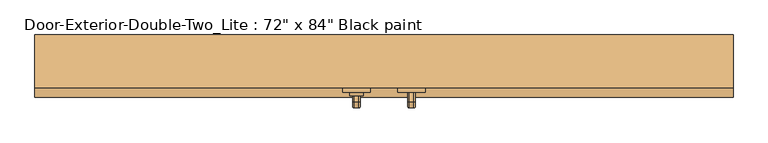
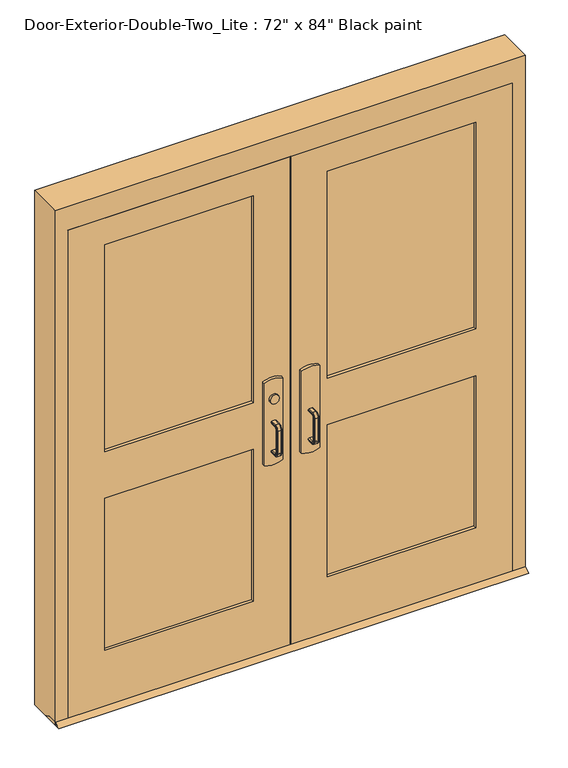
"""IFC4 building model written with IfcOpenShell, lengths in millimetres: door geometry."""

from ifc_helpers import new_model, si_unit, point, frame, frame_2d, origin, place, context, project, spatial, polyline, circle_curve, ellipse_curve, trimmed, segment, composite_curve, outline, extrude, faceted_brep, source, transform, mapped, element, save
from ifc_brep_helpers import plane_surface, cylinder_surface, revolved_surface, advanced_brep


def door_083f55a5(model_context):
    return source(origin(), model_context, "Body", "SolidModel", [
        extrude(outline(polyline([(-575.7333333, 4.7625), (-76.2, 4.7625), (-76.2, -1.5875), (-575.7333333, -1.5875), (-575.7333333, 4.7625)])), frame((0.0, 0.0, 990.6), z_axis=(0.0, 0.0, 1.0), x_axis=(1.0, 0.0, 0.0)), (0.0, 0.0, 1.0), 50.8),
        advanced_brep(
        [(-12.7, -1.5875, 1041.4), (-12.7, -1.5875, 990.6), (-76.2, -1.5875, 990.6), (-825.5, -1.5875, 990.6), (-825.5, -1.5875, 1041.4), (-76.2, -1.5875, 1041.4), (-825.5, -33.3375, 1041.4), (-825.5, -33.3375, 990.6), (-76.2, -33.3375, 990.6), (-76.2, -33.3375, 927.1), (-57.15, -33.3375, 908.05), (-31.75, -33.3375, 908.05), (-12.7, -33.3375, 927.1), (-12.7, -33.3375, 1104.9), (-31.75, -33.3375, 1123.95), (-57.15, -33.3375, 1123.95), (-76.2, -33.3375, 1104.9), (-76.2, -33.3375, 1041.4), (-76.2, -4.7627467, 1041.4), (-12.7, -4.7627467, 1041.4), (-12.7, -9.7729269, 1104.9), (-12.7, -9.7729269, 927.1), (-12.7, -4.7627467, 990.6), (-76.2, -4.7627467, 990.6), (-76.2, -9.7729269, 1104.9), (-76.2, -9.7729269, 927.1), (-31.75, -11.275981, 1123.95), (-57.15, -11.275981, 1123.95), (-57.15, -11.275981, 908.05), (-31.75, -11.275981, 908.05)],
        [
            (0, 1),
            (1, 2),
            (2, 3),
            (3, 4),
            (4, 5),
            (5, 0),
            (6, 7),
            (7, 8),
            (8, 9),
            (9, 10, circle_curve(frame((-57.15, -33.3375, 927.1), z_axis=(0.0, -1.0, 0.0), x_axis=(-1.0, 0.0, 0.0)), 19.05)),
            (10, 11),
            (11, 12, circle_curve(frame((-31.75, -33.3375, 927.1), z_axis=(0.0, -1.0, 0.0), x_axis=(-1.0, 0.0, 0.0)), 19.05)),
            (12, 13),
            (13, 14, circle_curve(frame((-31.75, -33.3375, 1104.9), z_axis=(0.0, -1.0, 0.0), x_axis=(-1.0, 0.0, 0.0)), 19.05)),
            (14, 15),
            (15, 16, circle_curve(frame((-57.15, -33.3375, 1104.9), z_axis=(0.0, -1.0, 0.0), x_axis=(-1.0, 0.0, 0.0)), 19.05)),
            (16, 17),
            (17, 6),
            (4, 6),
            (17, 18),
            (18, 19),
            (19, 0),
            (19, 20),
            (20, 13),
            (12, 21),
            (21, 22),
            (22, 1),
            (7, 3),
            (22, 23),
            (23, 8),
            (16, 24),
            (24, 18),
            (23, 25),
            (25, 9),
            (14, 26),
            (26, 27),
            (27, 15),
            (10, 28),
            (28, 29),
            (29, 11),
            (25, 28, ellipse_curve(frame((-57.15, -9.7729269, 927.1), z_axis=(0.0, -0.9969018152893365, 0.07865602756830282), x_axis=(0.0, 0.07865602756830208, 0.9969018152893365)), 19.1092038, 19.05)),
            (27, 24, ellipse_curve(frame((-57.15, -9.7729269, 1104.9), z_axis=(0.0, -0.9969018152893376, -0.07865602756828934), x_axis=(0.0, 0.078656027568288, -0.9969018152893377)), 19.1092038, 19.05)),
            (20, 26, ellipse_curve(frame((-31.75, -9.7729269, 1104.9), z_axis=(0.0, -0.9969018152893376, -0.07865602756828934), x_axis=(0.0, 0.078656027568288, -0.9969018152893377)), 19.1092038, 19.05)),
            (29, 21, ellipse_curve(frame((-31.75, -9.7729269, 927.1), z_axis=(0.0, -0.9969018152893365, 0.07865602756830282), x_axis=(0.0, 0.07865602756830208, 0.9969018152893365)), 19.1092038, 19.05)),
        ],
        [
            plane_surface(frame((-12.7, -1.5875, 1041.4), z_axis=(0.0, 1.0, 0.0), x_axis=(1.0, 0.0, 0.0))),
            plane_surface(frame((-12.7, -33.3375, 1041.4), z_axis=(0.0, -1.0, 0.0), x_axis=(-1.0, 0.0, 0.0))),
            plane_surface(frame((-825.5, -1.5875, 1041.4), z_axis=(0.0, 0.0, 1.0), x_axis=(0.0, -1.0, 0.0))),
            plane_surface(frame((-12.7, -1.5875, 1041.4), z_axis=(1.0, 0.0, 0.0), x_axis=(0.0, -1.0, 0.0))),
            plane_surface(frame((-12.7, -1.5875, 990.6), z_axis=(0.0, 0.0, -1.0), x_axis=(0.0, -1.0, 0.0))),
            plane_surface(frame((-825.5, -1.5875, 990.6), z_axis=(-1.0, 0.0, 0.0), x_axis=(0.0, -1.0, 0.0))),
            plane_surface(frame((-76.2, -4.7627467, 927.1), z_axis=(-1.0, 0.0, 0.0), x_axis=(0.0, -1.0, 0.0))),
            plane_surface(frame((-57.15, -4.7627467, 1123.95), z_axis=(0.0, 0.0, 1.0), x_axis=(0.0, -1.0, 0.0))),
            plane_surface(frame((-31.75, -4.7627467, 908.05), z_axis=(0.0, 0.0, -1.0), x_axis=(0.0, -1.0, 0.0))),
            cylinder_surface(frame((-57.15, -33.3375, 927.1), z_axis=(0.0, 1.0, 0.0), x_axis=(-1.0, 0.0, 0.0)), 19.05),
            cylinder_surface(frame((-57.15, -33.3375, 1104.9), z_axis=(0.0, 1.0, 0.0), x_axis=(-1.0, 0.0, 0.0)), 19.05),
            cylinder_surface(frame((-31.75, -33.3375, 1104.9), z_axis=(0.0, 1.0, 0.0), x_axis=(-1.0, 0.0, 0.0)), 19.05),
            cylinder_surface(frame((-31.75, -33.3375, 927.1), z_axis=(0.0, 1.0, 0.0), x_axis=(-1.0, 0.0, 0.0)), 19.05),
            plane_surface(frame((-76.2, -4.7627467, 1041.4), z_axis=(0.0, 0.9969018152893376, 0.07865602756828934), x_axis=(1.0, 0.0, 0.0))),
            plane_surface(frame((-76.2, -11.275981, 908.05), z_axis=(0.0, 0.9969018152893365, -0.07865602756830282), x_axis=(1.0, 0.0, 0.0))),
        ],
        [
            (0, [[1, 2, 3, 4, 5, 6]]),
            (1, [[7, 8, 9, 10, 11, 12, 13, 14, 15, 16, 17, 18]]),
            (2, [[19, -18, 20, 21, 22, -6, -5]]),
            (3, [[-1, -22, 23, 24, -13, 25, 26, 27]]),
            (4, [[28, -3, -2, -27, 29, 30, -8]]),
            (5, [[-4, -28, -7, -19]]),
            (6, [[-17, 31, 32, -20]]),
            (6, [[-9, -30, 33, 34]]),
            (7, [[-15, 35, 36, 37]]),
            (8, [[-11, 38, 39, 40]]),
            (9, [[-10, -34, 41, -38]]),
            (10, [[-16, -37, 42, -31]]),
            (11, [[-14, -24, 43, -35]]),
            (12, [[-12, -40, 44, -25]]),
            (13, [[-21, -32, -42, -36, -43, -23]]),
            (14, [[-26, -44, -39, -41, -33, -29]]),
        ],
    ),
        extrude(outline(polyline([(-77.7875, 12.7), (-33.3375, 12.7), (-7.9375, 0.0), (-103.1875, 0.0), (-77.7875, 12.7)])), frame((-965.2, 0.0, 0.0), z_axis=(1.0, 0.0, 0.0), x_axis=(0.0, 1.0, 0.0)), (0.0, 0.0, 1.0), 1930.4),
        extrude(outline(polyline([(575.7333333, 4.7625), (575.7333333, -1.5875), (76.2, -1.5875), (76.2, 4.7625), (575.7333333, 4.7625)])), frame((0.0, 0.0, 990.6), z_axis=(0.0, 0.0, 1.0), x_axis=(1.0, 0.0, 0.0)), (0.0, 0.0, 1.0), 50.8),
        advanced_brep(
        [(12.7, -1.5875, 1041.4), (76.2, -1.5875, 1041.4), (825.5, -1.5875, 1041.4), (825.5, -1.5875, 990.6), (76.2, -1.5875, 990.6), (12.7, -1.5875, 990.6), (825.5, -33.3375, 1041.4), (76.2, -33.3375, 1041.4), (76.2, -33.3375, 1104.9), (57.15, -33.3375, 1123.95), (31.75, -33.3375, 1123.95), (12.7, -33.3375, 1104.9), (12.7, -33.3375, 927.1), (31.75, -33.3375, 908.05), (57.15, -33.3375, 908.05), (76.2, -33.3375, 927.1), (76.2, -33.3375, 990.6), (825.5, -33.3375, 990.6), (12.7, -4.7627467, 1041.4), (76.2, -4.7627467, 1041.4), (12.7, -4.7627467, 990.6), (12.7, -9.7729269, 927.1), (12.7, -9.7729269, 1104.9), (76.2, -4.7627467, 990.6), (76.2, -9.7729269, 1104.9), (76.2, -9.7729269, 927.1), (57.15, -11.275981, 1123.95), (31.75, -11.275981, 1123.95), (31.75, -11.275981, 908.05), (57.15, -11.275981, 908.05)],
        [
            (0, 1),
            (1, 2),
            (2, 3),
            (3, 4),
            (4, 5),
            (5, 0),
            (6, 7),
            (7, 8),
            (8, 9, circle_curve(frame((57.15, -33.3375, 1104.9), z_axis=(0.0, -1.0, 0.0), x_axis=(1.0, 0.0, 0.0)), 19.05)),
            (9, 10),
            (10, 11, circle_curve(frame((31.75, -33.3375, 1104.9), z_axis=(0.0, -1.0, 0.0), x_axis=(1.0, 0.0, 0.0)), 19.05)),
            (11, 12),
            (12, 13, circle_curve(frame((31.75, -33.3375, 927.1), z_axis=(0.0, -1.0, 0.0), x_axis=(1.0, 0.0, 0.0)), 19.05)),
            (13, 14),
            (14, 15, circle_curve(frame((57.15, -33.3375, 927.1), z_axis=(0.0, -1.0, 0.0), x_axis=(1.0, 0.0, 0.0)), 19.05)),
            (15, 16),
            (16, 17),
            (17, 6),
            (0, 18),
            (18, 19),
            (19, 7),
            (6, 2),
            (5, 20),
            (20, 21),
            (21, 12),
            (11, 22),
            (22, 18),
            (16, 23),
            (23, 20),
            (3, 17),
            (19, 24),
            (24, 8),
            (15, 25),
            (25, 23),
            (9, 26),
            (26, 27),
            (27, 10),
            (13, 28),
            (28, 29),
            (29, 14),
            (29, 25, ellipse_curve(frame((57.15, -9.7729269, 927.1), z_axis=(0.0, -0.9969018152893365, 0.07865602756830282), x_axis=(0.0, 0.07865602756830208, 0.9969018152893365)), 19.1092038, 19.05)),
            (24, 26, ellipse_curve(frame((57.15, -9.7729269, 1104.9), z_axis=(0.0, -0.9969018152893376, -0.07865602756828934), x_axis=(0.0, 0.078656027568288, -0.9969018152893377)), 19.1092038, 19.05)),
            (27, 22, ellipse_curve(frame((31.75, -9.7729269, 1104.9), z_axis=(0.0, -0.9969018152893376, -0.07865602756828934), x_axis=(0.0, 0.078656027568288, -0.9969018152893377)), 19.1092038, 19.05)),
            (21, 28, ellipse_curve(frame((31.75, -9.7729269, 927.1), z_axis=(0.0, -0.9969018152893365, 0.07865602756830282), x_axis=(0.0, 0.07865602756830208, 0.9969018152893365)), 19.1092038, 19.05)),
        ],
        [
            plane_surface(frame((12.7, -1.5875, 1041.4), z_axis=(0.0, 1.0, 0.0), x_axis=(-1.0, 0.0, 0.0))),
            plane_surface(frame((12.7, -33.3375, 1041.4), z_axis=(0.0, -1.0, 0.0), x_axis=(1.0, 0.0, 0.0))),
            plane_surface(frame((825.5, -1.5875, 1041.4), z_axis=(0.0, 0.0, 1.0), x_axis=(0.0, -1.0, 0.0))),
            plane_surface(frame((12.7, -1.5875, 1041.4), z_axis=(-1.0, 0.0, 0.0), x_axis=(0.0, -1.0, 0.0))),
            plane_surface(frame((12.7, -1.5875, 990.6), z_axis=(0.0, 0.0, -1.0), x_axis=(0.0, -1.0, 0.0))),
            plane_surface(frame((825.5, -1.5875, 990.6), z_axis=(1.0, 0.0, 0.0), x_axis=(0.0, -1.0, 0.0))),
            plane_surface(frame((76.2, -4.7627467, 927.1), z_axis=(1.0, 0.0, 0.0), x_axis=(0.0, -1.0, 0.0))),
            plane_surface(frame((57.15, -4.7627467, 1123.95), z_axis=(0.0, 0.0, 1.0), x_axis=(0.0, -1.0, 0.0))),
            plane_surface(frame((31.75, -4.7627467, 908.05), z_axis=(0.0, 0.0, -1.0), x_axis=(0.0, -1.0, 0.0))),
            cylinder_surface(frame((57.15, -33.3375, 927.1), z_axis=(0.0, 1.0, 0.0), x_axis=(1.0, 0.0, 0.0)), 19.05),
            cylinder_surface(frame((57.15, -33.3375, 1104.9), z_axis=(0.0, 1.0, 0.0), x_axis=(1.0, 0.0, 0.0)), 19.05),
            cylinder_surface(frame((31.75, -33.3375, 1104.9), z_axis=(0.0, 1.0, 0.0), x_axis=(1.0, 0.0, 0.0)), 19.05),
            cylinder_surface(frame((31.75, -33.3375, 927.1), z_axis=(0.0, 1.0, 0.0), x_axis=(1.0, 0.0, 0.0)), 19.05),
            plane_surface(frame((76.2, -4.7627467, 1041.4), z_axis=(0.0, 0.9969018152893376, 0.07865602756828934), x_axis=(-1.0, 0.0, 0.0))),
            plane_surface(frame((76.2, -11.275981, 908.05), z_axis=(0.0, 0.9969018152893365, -0.07865602756830282), x_axis=(-1.0, 0.0, 0.0))),
        ],
        [
            (0, [[1, 2, 3, 4, 5, 6]]),
            (1, [[7, 8, 9, 10, 11, 12, 13, 14, 15, 16, 17, 18]]),
            (2, [[-2, -1, 19, 20, 21, -7, 22]]),
            (3, [[23, 24, 25, -12, 26, 27, -19, -6]]),
            (4, [[-17, 28, 29, -23, -5, -4, 30]]),
            (5, [[-22, -18, -30, -3]]),
            (6, [[-21, 31, 32, -8]]),
            (6, [[33, 34, -28, -16]]),
            (7, [[35, 36, 37, -10]]),
            (8, [[38, 39, 40, -14]]),
            (9, [[-40, 41, -33, -15]]),
            (10, [[-32, 42, -35, -9]]),
            (11, [[-37, 43, -26, -11]]),
            (12, [[-25, 44, -38, -13]]),
            (13, [[-27, -43, -36, -42, -31, -20]]),
            (14, [[-29, -34, -41, -39, -44, -24]]),
        ],
    ),
        advanced_brep(
        [(66.2, -90.4875, 1017.190625), (69.771875, -90.4875, 1020.7625), (82.628125, -90.4875, 1020.7625), (86.2, -90.4875, 1017.190625), (86.2, -90.4875, 1014.8090406), (82.6284594, -90.4875, 1011.2375), (69.771875, -90.4875, 1011.2375), (66.2, -90.4875, 1014.809375), (66.2, -90.4875, 887.809375), (66.2, -90.4875, 890.190625), (69.771875, -90.4875, 893.7625), (82.6284594, -90.4875, 893.7625), (86.2, -90.4875, 890.1909594), (86.2, -90.4875, 887.809375), (82.628125, -90.4875, 884.2375), (69.771875, -90.4875, 884.2375), (66.2, -115.8875, 1014.809375), (66.2, -127.396875, 1003.3), (66.2, -127.396875, 901.7), (66.2, -115.8875, 890.190625), (66.2, -115.8875, 887.809375), (66.2, -129.778125, 901.7), (66.2, -129.778125, 1003.3), (66.2, -115.8875, 1017.190625), (69.771875, -115.8875, 1011.2375), (82.6284594, -115.8875, 1011.2375), (86.2, -115.8875, 1014.8090406), (86.2, -115.8875, 1017.190625), (86.2, -129.778125, 1003.3), (86.2, -129.778125, 901.7), (86.2, -115.8875, 887.809375), (86.2, -115.8875, 890.1909594), (86.2, -127.3965406, 901.7), (86.2, -127.3965406, 1003.3), (82.628125, -115.8875, 1020.7625), (69.771875, -115.8875, 1020.7625), (69.771875, -123.825, 1003.3), (82.6284594, -123.825, 1003.3), (82.628125, -133.35, 1003.3), (69.771875, -133.35, 1003.3), (69.771875, -123.825, 901.7), (82.6284594, -123.825, 901.7), (82.628125, -133.35, 901.7), (69.771875, -133.35, 901.7), (69.771875, -115.8875, 893.7625), (82.6284594, -115.8875, 893.7625), (82.628125, -115.8875, 884.2375), (69.771875, -115.8875, 884.2375)],
        [
            (0, 1, circle_curve(frame((69.771875, -90.4875, 1017.190625), z_axis=(0.0, 1.0, 0.0), x_axis=(0.0, 0.0, 1.0)), 3.571875)),
            (1, 2),
            (2, 3, circle_curve(frame((82.628125, -90.4875, 1017.190625), z_axis=(0.0, 1.0, 0.0), x_axis=(0.0, 0.0, 1.0)), 3.571875)),
            (3, 4),
            (4, 5, circle_curve(frame((82.6284594, -90.4875, 1014.8090406), z_axis=(0.0, 1.0, 0.0), x_axis=(0.0, 0.0, 1.0)), 3.5715406)),
            (5, 6),
            (6, 7, circle_curve(frame((69.771875, -90.4875, 1014.809375), z_axis=(0.0, 1.0, 0.0), x_axis=(0.0, 0.0, 1.0)), 3.571875)),
            (7, 0),
            (8, 9),
            (9, 10, circle_curve(frame((69.771875, -90.4875, 890.190625), z_axis=(0.0, 1.0, 0.0), x_axis=(0.0, 0.0, -1.0)), 3.571875)),
            (10, 11),
            (11, 12, circle_curve(frame((82.6284594, -90.4875, 890.1909594), z_axis=(0.0, 1.0, 0.0), x_axis=(0.0, 0.0, -1.0)), 3.5715406)),
            (12, 13),
            (13, 14, circle_curve(frame((82.628125, -90.4875, 887.809375), z_axis=(0.0, 1.0, 0.0), x_axis=(0.0, 0.0, -1.0)), 3.571875)),
            (14, 15),
            (15, 8, circle_curve(frame((69.771875, -90.4875, 887.809375), z_axis=(0.0, 1.0, 0.0), x_axis=(0.0, 0.0, -1.0)), 3.571875)),
            (7, 16),
            (16, 17, circle_curve(frame((66.2, -115.8875, 1003.3), z_axis=(1.0, 0.0, 0.0), x_axis=(0.0, 0.0, 1.0)), 11.509375)),
            (17, 18),
            (18, 19, circle_curve(frame((66.2, -115.8875, 901.7), z_axis=(1.0, 0.0, 0.0), x_axis=(0.0, -1.0, 0.0)), 11.509375)),
            (19, 9),
            (8, 20),
            (20, 21, circle_curve(frame((66.2, -115.8875, 901.7), z_axis=(-1.0, 0.0, 0.0), x_axis=(0.0, -1.0, 0.0)), 13.890625)),
            (21, 22),
            (22, 23, circle_curve(frame((66.2, -115.8875, 1003.3), z_axis=(-1.0, 0.0, 0.0), x_axis=(0.0, 0.0, 1.0)), 13.890625)),
            (23, 0),
            (6, 24),
            (24, 16, circle_curve(frame((69.771875, -115.8875, 1014.809375), z_axis=(0.0, 1.0, 0.0), x_axis=(0.0, 0.0, 1.0)), 3.571875)),
            (5, 25),
            (25, 24),
            (4, 26),
            (26, 25, circle_curve(frame((82.6284594, -115.8875, 1014.8090406), z_axis=(0.0, 1.0, 0.0), x_axis=(0.0, 0.0, 1.0)), 3.5715406)),
            (3, 27),
            (27, 28, circle_curve(frame((86.2, -115.8875, 1003.3), z_axis=(1.0, 0.0, 0.0), x_axis=(0.0, 0.0, 1.0)), 13.890625)),
            (28, 29),
            (29, 30, circle_curve(frame((86.2, -115.8875, 901.7), z_axis=(1.0, 0.0, 0.0), x_axis=(0.0, -1.0, 0.0)), 13.890625)),
            (30, 13),
            (12, 31),
            (31, 32, circle_curve(frame((86.2, -115.8875, 901.7), z_axis=(-1.0, 0.0, 0.0), x_axis=(0.0, -1.0, 0.0)), 11.5090406)),
            (32, 33),
            (33, 26, circle_curve(frame((86.2, -115.8875, 1003.3), z_axis=(-1.0, 0.0, 0.0), x_axis=(0.0, 0.0, 1.0)), 11.5090406)),
            (2, 34),
            (34, 27, circle_curve(frame((82.628125, -115.8875, 1017.190625), z_axis=(0.0, 1.0, 0.0), x_axis=(0.0, 0.0, 1.0)), 3.571875)),
            (1, 35),
            (35, 34),
            (23, 35, circle_curve(frame((69.771875, -115.8875, 1017.190625), z_axis=(0.0, 1.0, 0.0), x_axis=(0.0, 0.0, 1.0)), 3.571875)),
            (36, 17, circle_curve(frame((69.771875, -127.396875, 1003.3), z_axis=(0.0, 0.0, 1.0), x_axis=(0.0, -1.0, 0.0)), 3.571875)),
            (24, 36, circle_curve(frame((69.771875, -115.8875, 1003.3), z_axis=(1.0, 0.0, 0.0), x_axis=(0.0, 0.0, 1.0)), 7.9375)),
            (37, 36),
            (25, 37, circle_curve(frame((82.6284594, -115.8875, 1003.3), z_axis=(1.0, 0.0, 0.0), x_axis=(0.0, 0.0, 1.0)), 7.9375)),
            (33, 37, circle_curve(frame((82.6284594, -127.3965406, 1003.3), z_axis=(0.0, 0.0, 1.0), x_axis=(0.0, -1.0, 0.0)), 3.5715406)),
            (38, 28, circle_curve(frame((82.628125, -129.778125, 1003.3), z_axis=(0.0, 0.0, 1.0), x_axis=(0.0, -1.0, 0.0)), 3.571875)),
            (34, 38, circle_curve(frame((82.628125, -115.8875, 1003.3), z_axis=(1.0, 0.0, 0.0), x_axis=(0.0, 0.0, 1.0)), 17.4625)),
            (39, 38),
            (35, 39, circle_curve(frame((69.771875, -115.8875, 1003.3), z_axis=(1.0, 0.0, 0.0), x_axis=(0.0, 0.0, 1.0)), 17.4625)),
            (22, 39, circle_curve(frame((69.771875, -129.778125, 1003.3), z_axis=(0.0, 0.0, 1.0), x_axis=(0.0, -1.0, 0.0)), 3.571875)),
            (36, 40),
            (40, 18, circle_curve(frame((69.771875, -127.396875, 901.7), z_axis=(0.0, 0.0, 1.0), x_axis=(0.0, -1.0, 0.0)), 3.571875)),
            (37, 41),
            (41, 40),
            (32, 41, circle_curve(frame((82.6284594, -127.3965406, 901.7), z_axis=(0.0, 0.0, 1.0), x_axis=(0.0, -1.0, 0.0)), 3.5715406)),
            (38, 42),
            (42, 29, circle_curve(frame((82.628125, -129.778125, 901.7), z_axis=(0.0, 0.0, 1.0), x_axis=(0.0, -1.0, 0.0)), 3.571875)),
            (39, 43),
            (43, 42),
            (21, 43, circle_curve(frame((69.771875, -129.778125, 901.7), z_axis=(0.0, 0.0, 1.0), x_axis=(0.0, -1.0, 0.0)), 3.571875)),
            (44, 19, circle_curve(frame((69.771875, -115.8875, 890.190625), z_axis=(0.0, -1.0, 0.0), x_axis=(0.0, 0.0, -1.0)), 3.571875)),
            (40, 44, circle_curve(frame((69.771875, -115.8875, 901.7), z_axis=(1.0, 0.0, 0.0), x_axis=(0.0, -1.0, 0.0)), 7.9375)),
            (45, 44),
            (41, 45, circle_curve(frame((82.6284594, -115.8875, 901.7), z_axis=(1.0, 0.0, 0.0), x_axis=(0.0, -1.0, 0.0)), 7.9375)),
            (31, 45, circle_curve(frame((82.6284594, -115.8875, 890.1909594), z_axis=(0.0, -1.0, 0.0), x_axis=(0.0, 0.0, -1.0)), 3.5715406)),
            (46, 30, circle_curve(frame((82.628125, -115.8875, 887.809375), z_axis=(0.0, -1.0, 0.0), x_axis=(0.0, 0.0, -1.0)), 3.571875)),
            (42, 46, circle_curve(frame((82.628125, -115.8875, 901.7), z_axis=(1.0, 0.0, 0.0), x_axis=(0.0, -1.0, 0.0)), 17.4625)),
            (47, 46),
            (43, 47, circle_curve(frame((69.771875, -115.8875, 901.7), z_axis=(1.0, 0.0, 0.0), x_axis=(0.0, -1.0, 0.0)), 17.4625)),
            (20, 47, circle_curve(frame((69.771875, -115.8875, 887.809375), z_axis=(0.0, -1.0, 0.0), x_axis=(0.0, 0.0, -1.0)), 3.571875)),
            (44, 10),
            (45, 11),
            (46, 14),
            (47, 15),
        ],
        [
            plane_surface(frame((76.2, -90.4875, 1016.0), z_axis=(0.0, 1.0, 0.0), x_axis=(1.0, 0.0, 0.0))),
            plane_surface(frame((76.2, -90.4875, 889.0), z_axis=(0.0, 1.0, 0.0), x_axis=(1.0, 0.0, 0.0))),
            plane_surface(frame((66.2, -90.4875, 1017.190625), z_axis=(-1.0, 0.0, 0.0), x_axis=(0.0, -1.0, 0.0))),
            cylinder_surface(frame((69.771875, -90.4875, 1014.809375), z_axis=(0.0, 1.0, 0.0), x_axis=(0.0, 0.0, 1.0)), 3.571875),
            plane_surface(frame((69.771875, -90.4875, 1011.2375), z_axis=(0.0, 0.0, -1.0), x_axis=(0.0, -1.0, 0.0))),
            cylinder_surface(frame((82.6284594, -90.4875, 1014.8090406), z_axis=(0.0, 1.0, 0.0), x_axis=(0.0, 0.0, 1.0)), 3.5715406),
            plane_surface(frame((86.2, -90.4875, 1014.8090406), z_axis=(1.0, 0.0, 0.0), x_axis=(0.0, -1.0, 0.0))),
            cylinder_surface(frame((82.628125, -90.4875, 1017.190625), z_axis=(0.0, 1.0, 0.0), x_axis=(0.0, 0.0, 1.0)), 3.571875),
            plane_surface(frame((82.628125, -90.4875, 1020.7625), z_axis=(0.0, 0.0, 1.0), x_axis=(0.0, -1.0, 0.0))),
            cylinder_surface(frame((69.771875, -90.4875, 1017.190625), z_axis=(0.0, 1.0, 0.0), x_axis=(0.0, 0.0, 1.0)), 3.571875),
            revolved_surface(trimmed(ellipse_curve(frame((69.771875, -115.8875, 1014.809375), z_axis=(0.0, -1.0, 0.0), x_axis=(0.0, 0.0, 1.0)), 3.571875, 3.571875), [point((66.2, -115.8875, 1014.809375))], [point((69.771875, -115.8875, 1011.2375))], True, "CARTESIAN"), (76.2, -115.8875, 1003.3), (-1.0, 0.0, 0.0)),
            revolved_surface(polyline([(69.771875, -115.8875, 1011.2375), (82.6284594, -115.8875, 1011.2375)]), (76.2, -115.8875, 1003.3), (-1.0, 0.0, 0.0)),
            revolved_surface(trimmed(ellipse_curve(frame((82.6284594, -115.8875, 1014.8090406), z_axis=(0.0, -1.0, 0.0), x_axis=(0.0, 0.0, 1.0)), 3.5715406, 3.5715406), [point((82.6284594, -115.8875, 1011.2375))], [point((86.2, -115.8875, 1014.8090406))], True, "CARTESIAN"), (76.2, -115.8875, 1003.3), (-1.0, 0.0, 0.0)),
            revolved_surface(trimmed(ellipse_curve(frame((82.628125, -115.8875, 1017.190625), z_axis=(0.0, -1.0, 0.0), x_axis=(0.0, 0.0, 1.0)), 3.571875, 3.571875), [point((86.2, -115.8875, 1017.190625))], [point((82.628125, -115.8875, 1020.7625))], True, "CARTESIAN"), (76.2, -115.8875, 1003.3), (-1.0, 0.0, 0.0)),
            cylinder_surface(frame((76.2, -115.8875, 1003.3), z_axis=(-1.0, 0.0, 0.0), x_axis=(0.0, 0.0, 1.0)), 17.4625),
            revolved_surface(trimmed(ellipse_curve(frame((69.771875, -115.8875, 1017.190625), z_axis=(0.0, -1.0, 0.0), x_axis=(0.0, 0.0, 1.0)), 3.571875, 3.571875), [point((69.771875, -115.8875, 1020.7625))], [point((66.2, -115.8875, 1017.190625))], True, "CARTESIAN"), (76.2, -115.8875, 1003.3), (-1.0, 0.0, 0.0)),
            cylinder_surface(frame((69.771875, -127.396875, 1003.3), z_axis=(0.0, 0.0, 1.0), x_axis=(0.0, -1.0, 0.0)), 3.571875),
            plane_surface(frame((69.771875, -123.825, 1003.3), z_axis=(0.0, 1.0, 0.0), x_axis=(0.0, 0.0, -1.0))),
            cylinder_surface(frame((82.6284594, -127.3965406, 1003.3), z_axis=(0.0, 0.0, 1.0), x_axis=(0.0, -1.0, 0.0)), 3.5715406),
            cylinder_surface(frame((82.628125, -129.778125, 1003.3), z_axis=(0.0, 0.0, 1.0), x_axis=(0.0, -1.0, 0.0)), 3.571875),
            plane_surface(frame((82.628125, -133.35, 1003.3), z_axis=(0.0, -1.0, 0.0), x_axis=(0.0, 0.0, -1.0))),
            cylinder_surface(frame((69.771875, -129.778125, 1003.3), z_axis=(0.0, 0.0, 1.0), x_axis=(0.0, -1.0, 0.0)), 3.571875),
            revolved_surface(trimmed(ellipse_curve(frame((69.771875, -127.396875, 901.7), z_axis=(0.0, 0.0, -1.0), x_axis=(0.0, -1.0, 0.0)), 3.571875, 3.571875), [point((66.2, -127.396875, 901.7))], [point((69.771875, -123.825, 901.7))], True, "CARTESIAN"), (76.2, -115.8875, 901.7), (-1.0, 0.0, 0.0)),
            revolved_surface(polyline([(69.771875, -123.825, 901.7), (82.6284594, -123.825, 901.7)]), (76.2, -115.8875, 901.7), (-1.0, 0.0, 0.0)),
            revolved_surface(trimmed(ellipse_curve(frame((82.6284594, -127.3965406, 901.7), z_axis=(0.0, 0.0, -1.0), x_axis=(0.0, -1.0, 0.0)), 3.5715406, 3.5715406), [point((82.6284594, -123.825, 901.7))], [point((86.2, -127.3965406, 901.7))], True, "CARTESIAN"), (76.2, -115.8875, 901.7), (-1.0, 0.0, 0.0)),
            revolved_surface(trimmed(ellipse_curve(frame((82.628125, -129.778125, 901.7), z_axis=(0.0, 0.0, -1.0), x_axis=(0.0, -1.0, 0.0)), 3.571875, 3.571875), [point((86.2, -129.778125, 901.7))], [point((82.628125, -133.35, 901.7))], True, "CARTESIAN"), (76.2, -115.8875, 901.7), (-1.0, 0.0, 0.0)),
            cylinder_surface(frame((76.2, -115.8875, 901.7), z_axis=(-1.0, 0.0, 0.0), x_axis=(0.0, -1.0, 0.0)), 17.4625),
            revolved_surface(trimmed(ellipse_curve(frame((69.771875, -129.778125, 901.7), z_axis=(0.0, 0.0, -1.0), x_axis=(0.0, -1.0, 0.0)), 3.571875, 3.571875), [point((69.771875, -133.35, 901.7))], [point((66.2, -129.778125, 901.7))], True, "CARTESIAN"), (76.2, -115.8875, 901.7), (-1.0, 0.0, 0.0)),
            cylinder_surface(frame((69.771875, -115.8875, 890.190625), z_axis=(0.0, -1.0, 0.0), x_axis=(0.0, 0.0, -1.0)), 3.571875),
            plane_surface(frame((69.771875, -115.8875, 893.7625), z_axis=(0.0, 0.0, 1.0), x_axis=(0.0, 1.0, 0.0))),
            cylinder_surface(frame((82.6284594, -115.8875, 890.1909594), z_axis=(0.0, -1.0, 0.0), x_axis=(0.0, 0.0, -1.0)), 3.5715406),
            cylinder_surface(frame((82.628125, -115.8875, 887.809375), z_axis=(0.0, -1.0, 0.0), x_axis=(0.0, 0.0, -1.0)), 3.571875),
            plane_surface(frame((82.628125, -115.8875, 884.2375), z_axis=(0.0, 0.0, -1.0), x_axis=(0.0, 1.0, 0.0))),
            cylinder_surface(frame((69.771875, -115.8875, 887.809375), z_axis=(0.0, -1.0, 0.0), x_axis=(0.0, 0.0, -1.0)), 3.571875),
        ],
        [
            (0, [[1, 2, 3, 4, 5, 6, 7, 8]]),
            (1, [[9, 10, 11, 12, 13, 14, 15, 16]]),
            (2, [[17, 18, 19, 20, 21, -9, 22, 23, 24, 25, 26, -8]]),
            (3, [[27, 28, -17, -7]]),
            (4, [[29, 30, -27, -6]]),
            (5, [[31, 32, -29, -5]]),
            (6, [[33, 34, 35, 36, 37, -13, 38, 39, 40, 41, -31, -4]]),
            (7, [[42, 43, -33, -3]]),
            (8, [[44, 45, -42, -2]]),
            (9, [[-26, 46, -44, -1]]),
            (10, [[47, -18, -28, 48]]),
            (11, [[49, -48, -30, 50]]),
            (12, [[51, -50, -32, -41]]),
            (13, [[52, -34, -43, 53]]),
            (14, [[54, -53, -45, 55]]),
            (15, [[56, -55, -46, -25]]),
            (16, [[57, 58, -19, -47]]),
            (17, [[59, 60, -57, -49]]),
            (18, [[-40, 61, -59, -51]]),
            (19, [[62, 63, -35, -52]]),
            (20, [[64, 65, -62, -54]]),
            (21, [[-24, 66, -64, -56]]),
            (22, [[67, -20, -58, 68]]),
            (23, [[69, -68, -60, 70]]),
            (24, [[71, -70, -61, -39]]),
            (25, [[72, -36, -63, 73]]),
            (26, [[74, -73, -65, 75]]),
            (27, [[76, -75, -66, -23]]),
            (28, [[77, -10, -21, -67]]),
            (29, [[78, -11, -77, -69]]),
            (30, [[-38, -12, -78, -71]]),
            (31, [[79, -14, -37, -72]]),
            (32, [[80, -15, -79, -74]]),
            (33, [[-22, -16, -80, -76]]),
        ],
    ),
        extrude(outline(composite_curve([segment(trimmed(circle_curve(frame_2d((1113.0338574, 76.2)), 89.3016225), [point((1193.8, 114.3))], [point((1193.8, 38.1))], False, "CARTESIAN"), True, "CONTINUOUS"), segment(polyline([(1193.8, 38.1), (838.2, 38.1)]), True, "CONTINUOUS"), segment(trimmed(circle_curve(frame_2d((918.9661426, 76.2)), 89.3016225), [point((838.2, 38.1))], [point((838.2, 114.3))], False, "CARTESIAN"), True, "CONTINUOUS"), segment(polyline([(838.2, 114.3), (1193.8, 114.3)]), True, "CONTINUOUS")], self_intersect=False)), frame((0.0, -90.4875, 0.0), z_axis=(0.0, 1.0, 0.0), x_axis=(0.0, 0.0, 1.0)), (0.0, 0.0, 1.0), 12.7),
        advanced_brep(
        [(-86.2, -90.4875, 1017.190625), (-82.628125, -90.4875, 1020.7625), (-69.771875, -90.4875, 1020.7625), (-66.2, -90.4875, 1017.190625), (-66.2, -90.4875, 1014.8090406), (-69.7715406, -90.4875, 1011.2375), (-82.628125, -90.4875, 1011.2375), (-86.2, -90.4875, 1014.809375), (-86.2, -90.4875, 887.809375), (-86.2, -90.4875, 890.190625), (-82.628125, -90.4875, 893.7625), (-69.7715406, -90.4875, 893.7625), (-66.2, -90.4875, 890.1909594), (-66.2, -90.4875, 887.809375), (-69.771875, -90.4875, 884.2375), (-82.628125, -90.4875, 884.2375), (-86.2, -115.8875, 1014.809375), (-86.2, -127.396875, 1003.3), (-86.2, -127.396875, 901.7), (-86.2, -115.8875, 890.190625), (-86.2, -115.8875, 887.809375), (-86.2, -129.778125, 901.7), (-86.2, -129.778125, 1003.3), (-86.2, -115.8875, 1017.190625), (-82.628125, -115.8875, 1011.2375), (-69.7715406, -115.8875, 1011.2375), (-66.2, -115.8875, 1014.8090406), (-66.2, -115.8875, 1017.190625), (-66.2, -129.778125, 1003.3), (-66.2, -129.778125, 901.7), (-66.2, -115.8875, 887.809375), (-66.2, -115.8875, 890.1909594), (-66.2, -127.3965406, 901.7), (-66.2, -127.3965406, 1003.3), (-69.771875, -115.8875, 1020.7625), (-82.628125, -115.8875, 1020.7625), (-82.628125, -123.825, 1003.3), (-69.7715406, -123.825, 1003.3), (-69.771875, -133.35, 1003.3), (-82.628125, -133.35, 1003.3), (-82.628125, -123.825, 901.7), (-69.7715406, -123.825, 901.7), (-69.771875, -133.35, 901.7), (-82.628125, -133.35, 901.7), (-82.628125, -115.8875, 893.7625), (-69.7715406, -115.8875, 893.7625), (-69.771875, -115.8875, 884.2375), (-82.628125, -115.8875, 884.2375)],
        [
            (0, 1, circle_curve(frame((-82.628125, -90.4875, 1017.190625), z_axis=(0.0, 1.0, 0.0), x_axis=(0.0, 0.0, 1.0)), 3.571875)),
            (1, 2),
            (2, 3, circle_curve(frame((-69.771875, -90.4875, 1017.190625), z_axis=(0.0, 1.0, 0.0), x_axis=(0.0, 0.0, 1.0)), 3.571875)),
            (3, 4),
            (4, 5, circle_curve(frame((-69.7715406, -90.4875, 1014.8090406), z_axis=(0.0, 1.0, 0.0), x_axis=(0.0, 0.0, 1.0)), 3.5715406)),
            (5, 6),
            (6, 7, circle_curve(frame((-82.628125, -90.4875, 1014.809375), z_axis=(0.0, 1.0, 0.0), x_axis=(0.0, 0.0, 1.0)), 3.571875)),
            (7, 0),
            (8, 9),
            (9, 10, circle_curve(frame((-82.628125, -90.4875, 890.190625), z_axis=(0.0, 1.0, 0.0), x_axis=(0.0, 0.0, -1.0)), 3.571875)),
            (10, 11),
            (11, 12, circle_curve(frame((-69.7715406, -90.4875, 890.1909594), z_axis=(0.0, 1.0, 0.0), x_axis=(0.0, 0.0, -1.0)), 3.5715406)),
            (12, 13),
            (13, 14, circle_curve(frame((-69.771875, -90.4875, 887.809375), z_axis=(0.0, 1.0, 0.0), x_axis=(0.0, 0.0, -1.0)), 3.571875)),
            (14, 15),
            (15, 8, circle_curve(frame((-82.628125, -90.4875, 887.809375), z_axis=(0.0, 1.0, 0.0), x_axis=(0.0, 0.0, -1.0)), 3.571875)),
            (7, 16),
            (16, 17, circle_curve(frame((-86.2, -115.8875, 1003.3), z_axis=(1.0, 0.0, 0.0), x_axis=(0.0, 0.0, 1.0)), 11.509375)),
            (17, 18),
            (18, 19, circle_curve(frame((-86.2, -115.8875, 901.7), z_axis=(1.0, 0.0, 0.0), x_axis=(0.0, -1.0, 0.0)), 11.509375)),
            (19, 9),
            (8, 20),
            (20, 21, circle_curve(frame((-86.2, -115.8875, 901.7), z_axis=(-1.0, 0.0, 0.0), x_axis=(0.0, -1.0, 0.0)), 13.890625)),
            (21, 22),
            (22, 23, circle_curve(frame((-86.2, -115.8875, 1003.3), z_axis=(-1.0, 0.0, 0.0), x_axis=(0.0, 0.0, 1.0)), 13.890625)),
            (23, 0),
            (6, 24),
            (24, 16, circle_curve(frame((-82.628125, -115.8875, 1014.809375), z_axis=(0.0, 1.0, 0.0), x_axis=(0.0, 0.0, 1.0)), 3.571875)),
            (5, 25),
            (25, 24),
            (4, 26),
            (26, 25, circle_curve(frame((-69.7715406, -115.8875, 1014.8090406), z_axis=(0.0, 1.0, 0.0), x_axis=(0.0, 0.0, 1.0)), 3.5715406)),
            (3, 27),
            (27, 28, circle_curve(frame((-66.2, -115.8875, 1003.3), z_axis=(1.0, 0.0, 0.0), x_axis=(0.0, 0.0, 1.0)), 13.890625)),
            (28, 29),
            (29, 30, circle_curve(frame((-66.2, -115.8875, 901.7), z_axis=(1.0, 0.0, 0.0), x_axis=(0.0, -1.0, 0.0)), 13.890625)),
            (30, 13),
            (12, 31),
            (31, 32, circle_curve(frame((-66.2, -115.8875, 901.7), z_axis=(-1.0, 0.0, 0.0), x_axis=(0.0, -1.0, 0.0)), 11.5090406)),
            (32, 33),
            (33, 26, circle_curve(frame((-66.2, -115.8875, 1003.3), z_axis=(-1.0, 0.0, 0.0), x_axis=(0.0, 0.0, 1.0)), 11.5090406)),
            (2, 34),
            (34, 27, circle_curve(frame((-69.771875, -115.8875, 1017.190625), z_axis=(0.0, 1.0, 0.0), x_axis=(0.0, 0.0, 1.0)), 3.571875)),
            (1, 35),
            (35, 34),
            (23, 35, circle_curve(frame((-82.628125, -115.8875, 1017.190625), z_axis=(0.0, 1.0, 0.0), x_axis=(0.0, 0.0, 1.0)), 3.571875)),
            (36, 17, circle_curve(frame((-82.628125, -127.396875, 1003.3), z_axis=(0.0, 0.0, 1.0), x_axis=(0.0, -1.0, 0.0)), 3.571875)),
            (24, 36, circle_curve(frame((-82.628125, -115.8875, 1003.3), z_axis=(1.0, 0.0, 0.0), x_axis=(0.0, 0.0, 1.0)), 7.9375)),
            (37, 36),
            (25, 37, circle_curve(frame((-69.7715406, -115.8875, 1003.3), z_axis=(1.0, 0.0, 0.0), x_axis=(0.0, 0.0, 1.0)), 7.9375)),
            (33, 37, circle_curve(frame((-69.7715406, -127.3965406, 1003.3), z_axis=(0.0, 0.0, 1.0), x_axis=(0.0, -1.0, 0.0)), 3.5715406)),
            (38, 28, circle_curve(frame((-69.771875, -129.778125, 1003.3), z_axis=(0.0, 0.0, 1.0), x_axis=(0.0, -1.0, 0.0)), 3.571875)),
            (34, 38, circle_curve(frame((-69.771875, -115.8875, 1003.3), z_axis=(1.0, 0.0, 0.0), x_axis=(0.0, 0.0, 1.0)), 17.4625)),
            (39, 38),
            (35, 39, circle_curve(frame((-82.628125, -115.8875, 1003.3), z_axis=(1.0, 0.0, 0.0), x_axis=(0.0, 0.0, 1.0)), 17.4625)),
            (22, 39, circle_curve(frame((-82.628125, -129.778125, 1003.3), z_axis=(0.0, 0.0, 1.0), x_axis=(0.0, -1.0, 0.0)), 3.571875)),
            (36, 40),
            (40, 18, circle_curve(frame((-82.628125, -127.396875, 901.7), z_axis=(0.0, 0.0, 1.0), x_axis=(0.0, -1.0, 0.0)), 3.571875)),
            (37, 41),
            (41, 40),
            (32, 41, circle_curve(frame((-69.7715406, -127.3965406, 901.7), z_axis=(0.0, 0.0, 1.0), x_axis=(0.0, -1.0, 0.0)), 3.5715406)),
            (38, 42),
            (42, 29, circle_curve(frame((-69.771875, -129.778125, 901.7), z_axis=(0.0, 0.0, 1.0), x_axis=(0.0, -1.0, 0.0)), 3.571875)),
            (39, 43),
            (43, 42),
            (21, 43, circle_curve(frame((-82.628125, -129.778125, 901.7), z_axis=(0.0, 0.0, 1.0), x_axis=(0.0, -1.0, 0.0)), 3.571875)),
            (44, 19, circle_curve(frame((-82.628125, -115.8875, 890.190625), z_axis=(0.0, -1.0, 0.0), x_axis=(0.0, 0.0, -1.0)), 3.571875)),
            (40, 44, circle_curve(frame((-82.628125, -115.8875, 901.7), z_axis=(1.0, 0.0, 0.0), x_axis=(0.0, -1.0, 0.0)), 7.9375)),
            (45, 44),
            (41, 45, circle_curve(frame((-69.7715406, -115.8875, 901.7), z_axis=(1.0, 0.0, 0.0), x_axis=(0.0, -1.0, 0.0)), 7.9375)),
            (31, 45, circle_curve(frame((-69.7715406, -115.8875, 890.1909594), z_axis=(0.0, -1.0, 0.0), x_axis=(0.0, 0.0, -1.0)), 3.5715406)),
            (46, 30, circle_curve(frame((-69.771875, -115.8875, 887.809375), z_axis=(0.0, -1.0, 0.0), x_axis=(0.0, 0.0, -1.0)), 3.571875)),
            (42, 46, circle_curve(frame((-69.771875, -115.8875, 901.7), z_axis=(1.0, 0.0, 0.0), x_axis=(0.0, -1.0, 0.0)), 17.4625)),
            (47, 46),
            (43, 47, circle_curve(frame((-82.628125, -115.8875, 901.7), z_axis=(1.0, 0.0, 0.0), x_axis=(0.0, -1.0, 0.0)), 17.4625)),
            (20, 47, circle_curve(frame((-82.628125, -115.8875, 887.809375), z_axis=(0.0, -1.0, 0.0), x_axis=(0.0, 0.0, -1.0)), 3.571875)),
            (44, 10),
            (45, 11),
            (46, 14),
            (47, 15),
        ],
        [
            plane_surface(frame((-76.2, -90.4875, 1016.0), z_axis=(0.0, 1.0, 0.0), x_axis=(1.0, 0.0, 0.0))),
            plane_surface(frame((-76.2, -90.4875, 889.0), z_axis=(0.0, 1.0, 0.0), x_axis=(1.0, 0.0, 0.0))),
            plane_surface(frame((-86.2, -90.4875, 1017.190625), z_axis=(-1.0, 0.0, 0.0), x_axis=(0.0, -1.0, 0.0))),
            cylinder_surface(frame((-82.628125, -90.4875, 1014.809375), z_axis=(0.0, 1.0, 0.0), x_axis=(0.0, 0.0, 1.0)), 3.571875),
            plane_surface(frame((-82.628125, -90.4875, 1011.2375), z_axis=(0.0, 0.0, -1.0), x_axis=(0.0, -1.0, 0.0))),
            cylinder_surface(frame((-69.7715406, -90.4875, 1014.8090406), z_axis=(0.0, 1.0, 0.0), x_axis=(0.0, 0.0, 1.0)), 3.5715406),
            plane_surface(frame((-66.2, -90.4875, 1014.8090406), z_axis=(1.0, 0.0, 0.0), x_axis=(0.0, -1.0, 0.0))),
            cylinder_surface(frame((-69.771875, -90.4875, 1017.190625), z_axis=(0.0, 1.0, 0.0), x_axis=(0.0, 0.0, 1.0)), 3.571875),
            plane_surface(frame((-69.771875, -90.4875, 1020.7625), z_axis=(0.0, 0.0, 1.0), x_axis=(0.0, -1.0, 0.0))),
            cylinder_surface(frame((-82.628125, -90.4875, 1017.190625), z_axis=(0.0, 1.0, 0.0), x_axis=(0.0, 0.0, 1.0)), 3.571875),
            revolved_surface(trimmed(ellipse_curve(frame((-82.628125, -115.8875, 1014.809375), z_axis=(0.0, -1.0, 0.0), x_axis=(0.0, 0.0, 1.0)), 3.571875, 3.571875), [point((-86.2, -115.8875, 1014.809375))], [point((-82.628125, -115.8875, 1011.2375))], True, "CARTESIAN"), (-76.2, -115.8875, 1003.3), (-1.0, 0.0, 0.0)),
            revolved_surface(polyline([(-82.628125, -115.8875, 1011.2375), (-69.7715406, -115.8875, 1011.2375)]), (-76.2, -115.8875, 1003.3), (-1.0, 0.0, 0.0)),
            revolved_surface(trimmed(ellipse_curve(frame((-69.7715406, -115.8875, 1014.8090406), z_axis=(0.0, -1.0, 0.0), x_axis=(0.0, 0.0, 1.0)), 3.5715406, 3.5715406), [point((-69.7715406, -115.8875, 1011.2375))], [point((-66.2, -115.8875, 1014.8090406))], True, "CARTESIAN"), (-76.2, -115.8875, 1003.3), (-1.0, 0.0, 0.0)),
            revolved_surface(trimmed(ellipse_curve(frame((-69.771875, -115.8875, 1017.190625), z_axis=(0.0, -1.0, 0.0), x_axis=(0.0, 0.0, 1.0)), 3.571875, 3.571875), [point((-66.2, -115.8875, 1017.190625))], [point((-69.771875, -115.8875, 1020.7625))], True, "CARTESIAN"), (-76.2, -115.8875, 1003.3), (-1.0, 0.0, 0.0)),
            cylinder_surface(frame((-76.2, -115.8875, 1003.3), z_axis=(-1.0, 0.0, 0.0), x_axis=(0.0, 0.0, 1.0)), 17.4625),
            revolved_surface(trimmed(ellipse_curve(frame((-82.628125, -115.8875, 1017.190625), z_axis=(0.0, -1.0, 0.0), x_axis=(0.0, 0.0, 1.0)), 3.571875, 3.571875), [point((-82.628125, -115.8875, 1020.7625))], [point((-86.2, -115.8875, 1017.190625))], True, "CARTESIAN"), (-76.2, -115.8875, 1003.3), (-1.0, 0.0, 0.0)),
            cylinder_surface(frame((-82.628125, -127.396875, 1003.3), z_axis=(0.0, 0.0, 1.0), x_axis=(0.0, -1.0, 0.0)), 3.571875),
            plane_surface(frame((-82.628125, -123.825, 1003.3), z_axis=(0.0, 1.0, 0.0), x_axis=(0.0, 0.0, -1.0))),
            cylinder_surface(frame((-69.7715406, -127.3965406, 1003.3), z_axis=(0.0, 0.0, 1.0), x_axis=(0.0, -1.0, 0.0)), 3.5715406),
            cylinder_surface(frame((-69.771875, -129.778125, 1003.3), z_axis=(0.0, 0.0, 1.0), x_axis=(0.0, -1.0, 0.0)), 3.571875),
            plane_surface(frame((-69.771875, -133.35, 1003.3), z_axis=(0.0, -1.0, 0.0), x_axis=(0.0, 0.0, -1.0))),
            cylinder_surface(frame((-82.628125, -129.778125, 1003.3), z_axis=(0.0, 0.0, 1.0), x_axis=(0.0, -1.0, 0.0)), 3.571875),
            revolved_surface(trimmed(ellipse_curve(frame((-82.628125, -127.396875, 901.7), z_axis=(0.0, 0.0, -1.0), x_axis=(0.0, -1.0, 0.0)), 3.571875, 3.571875), [point((-86.2, -127.396875, 901.7))], [point((-82.628125, -123.825, 901.7))], True, "CARTESIAN"), (-76.2, -115.8875, 901.7), (-1.0, 0.0, 0.0)),
            revolved_surface(polyline([(-82.628125, -123.825, 901.7), (-69.7715406, -123.825, 901.7)]), (-76.2, -115.8875, 901.7), (-1.0, 0.0, 0.0)),
            revolved_surface(trimmed(ellipse_curve(frame((-69.7715406, -127.3965406, 901.7), z_axis=(0.0, 0.0, -1.0), x_axis=(0.0, -1.0, 0.0)), 3.5715406, 3.5715406), [point((-69.7715406, -123.825, 901.7))], [point((-66.2, -127.3965406, 901.7))], True, "CARTESIAN"), (-76.2, -115.8875, 901.7), (-1.0, 0.0, 0.0)),
            revolved_surface(trimmed(ellipse_curve(frame((-69.771875, -129.778125, 901.7), z_axis=(0.0, 0.0, -1.0), x_axis=(0.0, -1.0, 0.0)), 3.571875, 3.571875), [point((-66.2, -129.778125, 901.7))], [point((-69.771875, -133.35, 901.7))], True, "CARTESIAN"), (-76.2, -115.8875, 901.7), (-1.0, 0.0, 0.0)),
            cylinder_surface(frame((-76.2, -115.8875, 901.7), z_axis=(-1.0, 0.0, 0.0), x_axis=(0.0, -1.0, 0.0)), 17.4625),
            revolved_surface(trimmed(ellipse_curve(frame((-82.628125, -129.778125, 901.7), z_axis=(0.0, 0.0, -1.0), x_axis=(0.0, -1.0, 0.0)), 3.571875, 3.571875), [point((-82.628125, -133.35, 901.7))], [point((-86.2, -129.778125, 901.7))], True, "CARTESIAN"), (-76.2, -115.8875, 901.7), (-1.0, 0.0, 0.0)),
            cylinder_surface(frame((-82.628125, -115.8875, 890.190625), z_axis=(0.0, -1.0, 0.0), x_axis=(0.0, 0.0, -1.0)), 3.571875),
            plane_surface(frame((-82.628125, -115.8875, 893.7625), z_axis=(0.0, 0.0, 1.0), x_axis=(0.0, 1.0, 0.0))),
            cylinder_surface(frame((-69.7715406, -115.8875, 890.1909594), z_axis=(0.0, -1.0, 0.0), x_axis=(0.0, 0.0, -1.0)), 3.5715406),
            cylinder_surface(frame((-69.771875, -115.8875, 887.809375), z_axis=(0.0, -1.0, 0.0), x_axis=(0.0, 0.0, -1.0)), 3.571875),
            plane_surface(frame((-69.771875, -115.8875, 884.2375), z_axis=(0.0, 0.0, -1.0), x_axis=(0.0, 1.0, 0.0))),
            cylinder_surface(frame((-82.628125, -115.8875, 887.809375), z_axis=(0.0, -1.0, 0.0), x_axis=(0.0, 0.0, -1.0)), 3.571875),
        ],
        [
            (0, [[1, 2, 3, 4, 5, 6, 7, 8]]),
            (1, [[9, 10, 11, 12, 13, 14, 15, 16]]),
            (2, [[17, 18, 19, 20, 21, -9, 22, 23, 24, 25, 26, -8]]),
            (3, [[27, 28, -17, -7]]),
            (4, [[29, 30, -27, -6]]),
            (5, [[31, 32, -29, -5]]),
            (6, [[33, 34, 35, 36, 37, -13, 38, 39, 40, 41, -31, -4]]),
            (7, [[42, 43, -33, -3]]),
            (8, [[44, 45, -42, -2]]),
            (9, [[-26, 46, -44, -1]]),
            (10, [[47, -18, -28, 48]]),
            (11, [[49, -48, -30, 50]]),
            (12, [[51, -50, -32, -41]]),
            (13, [[52, -34, -43, 53]]),
            (14, [[54, -53, -45, 55]]),
            (15, [[56, -55, -46, -25]]),
            (16, [[57, 58, -19, -47]]),
            (17, [[59, 60, -57, -49]]),
            (18, [[-40, 61, -59, -51]]),
            (19, [[62, 63, -35, -52]]),
            (20, [[64, 65, -62, -54]]),
            (21, [[-24, 66, -64, -56]]),
            (22, [[67, -20, -58, 68]]),
            (23, [[69, -68, -60, 70]]),
            (24, [[71, -70, -61, -39]]),
            (25, [[72, -36, -63, 73]]),
            (26, [[74, -73, -65, 75]]),
            (27, [[76, -75, -66, -23]]),
            (28, [[77, -10, -21, -67]]),
            (29, [[78, -11, -77, -69]]),
            (30, [[-38, -12, -78, -71]]),
            (31, [[79, -14, -37, -72]]),
            (32, [[80, -15, -79, -74]]),
            (33, [[-22, -16, -80, -76]]),
        ],
    ),
        extrude(outline(composite_curve([segment(trimmed(circle_curve(frame_2d((1117.6, -76.2)), 19.0), [point((1117.6, -95.2))], [point((1117.6, -57.2))], False, "CARTESIAN"), True, "CONTINUOUS"), segment(trimmed(circle_curve(frame_2d((1117.6, -76.2)), 19.0), [point((1117.6, -57.2))], [point((1117.6, -95.2))], False, "CARTESIAN"), True, "CONTINUOUS")], self_intersect=False)), frame((0.0, -99.21875, 0.0), z_axis=(0.0, 1.0, 0.0), x_axis=(0.0, 0.0, 1.0)), (0.0, 0.0, 1.0), 8.73125),
        extrude(outline(composite_curve([segment(trimmed(circle_curve(frame_2d((1113.0338574, -76.2)), 89.3016225), [point((1193.8, -38.1))], [point((1193.8, -114.3))], False, "CARTESIAN"), True, "CONTINUOUS"), segment(polyline([(1193.8, -114.3), (838.2, -114.3)]), True, "CONTINUOUS"), segment(trimmed(circle_curve(frame_2d((918.9661426, -76.2)), 89.3016225), [point((838.2, -114.3))], [point((838.2, -38.1))], False, "CARTESIAN"), True, "CONTINUOUS"), segment(polyline([(838.2, -38.1), (1193.8, -38.1)]), True, "CONTINUOUS")], self_intersect=False)), frame((0.0, -90.4875, 0.0), z_axis=(0.0, 1.0, 0.0), x_axis=(0.0, 0.0, 1.0)), (0.0, 0.0, 1.0), 12.7),
        faceted_brep([(914.4, -28.575, 0.0), (898.525, -28.575, 0.0), (898.525, 19.05, 0.0), (914.4, 19.05, 0.0), (914.4, 68.2625, 0.0), (965.2, 68.2625, 0.0), (965.2, -77.7875, 0.0), (914.4, -77.7875, 0.0), (914.4, -77.7875, 2133.6), (914.4, -28.575, 2133.6), (965.2, -77.7875, 2235.2), (-965.2, -77.7875, 2235.2), (-965.2, -77.7875, 0.0), (-914.4, -77.7875, 0.0), (-914.4, -77.7875, 2133.6), (965.2, 68.2625, 2235.2), (914.4, 68.2625, 2133.6), (-914.4, 68.2625, 2133.6), (-914.4, 68.2625, 0.0), (-965.2, 68.2625, 0.0), (-965.2, 68.2625, 2235.2), (914.4, 19.05, 2133.6), (898.525, 19.05, 2117.725), (-898.525, 19.05, 2117.725), (-898.525, 19.05, 0.0), (-914.4, 19.05, 0.0), (-914.4, 19.05, 2133.6), (898.525, -28.575, 2117.725), (-914.4, -28.575, 2133.6), (-914.4, -28.575, 0.0), (-898.525, -28.575, 0.0), (-898.525, -28.575, 2117.725)], [[[0, 1, 2, 3, 4, 5, 6, 7]], [[7, 8, 9, 0]], [[6, 10, 11, 12, 13, 14, 8, 7]], [[5, 15, 10, 6]], [[4, 16, 17, 18, 19, 20, 15, 5]], [[3, 21, 16, 4]], [[2, 22, 23, 24, 25, 26, 21, 3]], [[1, 27, 22, 2]], [[0, 9, 28, 29, 30, 31, 27, 1]], [[8, 14, 28, 9]], [[16, 21, 26, 17]], [[22, 27, 31, 23]], [[12, 19, 18, 25, 24, 30, 29, 13]], [[13, 29, 28, 14]], [[11, 20, 19, 12]], [[17, 26, 25, 18]], [[23, 31, 30, 24]], [[15, 20, 11, 10]]]),
        extrude(outline(polyline([(2133.6, 1.5875), (12.7, 1.5875), (12.7, 914.4), (2133.6, 914.4), (2133.6, 1.5875)]), holes=[polyline([(2016.125, 152.4), (2016.125, 762.0), (1117.6, 762.0), (1117.6, 152.4), (2016.125, 152.4)]), polyline([(914.4, 152.4), (914.4, 762.0), (254.0, 762.0), (254.0, 152.4), (914.4, 152.4)])]), frame((0.0, -77.7875, 0.0), z_axis=(0.0, 1.0, 0.0), x_axis=(0.0, 0.0, 1.0)), (0.0, 0.0, 1.0), 44.45),
        extrude(outline(polyline([(12.7, -1.5875), (2133.6, -1.5875), (2133.6, -914.4), (12.7, -914.4), (12.7, -1.5875)]), holes=[polyline([(2016.125, -762.0), (2016.125, -152.4), (1117.6, -152.4), (1117.6, -762.0), (2016.125, -762.0)]), polyline([(914.4, -762.0), (914.4, -152.4), (254.0, -152.4), (254.0, -762.0), (914.4, -762.0)])]), frame((0.0, -77.7875, 0.0), z_axis=(0.0, 1.0, 0.0), x_axis=(0.0, 0.0, 1.0)), (0.0, 0.0, 1.0), 44.45),
        extrude(outline(polyline([(762.0, -46.0375), (762.0, -65.0875), (152.4, -65.0875), (152.4, -46.0375), (762.0, -46.0375)])), frame((0.0, 0.0, 1117.6), z_axis=(0.0, 0.0, 1.0), x_axis=(1.0, 0.0, 0.0)), (0.0, 0.0, 1.0), 898.525),
        extrude(outline(polyline([(-152.4, -46.0375), (-152.4, -65.0875), (-762.0, -65.0875), (-762.0, -46.0375), (-152.4, -46.0375)])), frame((0.0, 0.0, 1117.6), z_axis=(0.0, 0.0, 1.0), x_axis=(1.0, 0.0, 0.0)), (0.0, 0.0, 1.0), 898.525),
        extrude(outline(polyline([(-152.4, -46.0375), (-152.4, -65.0875), (-762.0, -65.0875), (-762.0, -46.0375), (-152.4, -46.0375)])), frame((0.0, 0.0, 254.0), z_axis=(0.0, 0.0, 1.0), x_axis=(1.0, 0.0, 0.0)), (0.0, 0.0, 1.0), 660.4),
        extrude(outline(polyline([(762.0, -46.0375), (762.0, -65.0875), (152.4, -65.0875), (152.4, -46.0375), (762.0, -46.0375)])), frame((0.0, 0.0, 254.0), z_axis=(0.0, 0.0, 1.0), x_axis=(1.0, 0.0, 0.0)), (0.0, 0.0, 1.0), 660.4),
    ])


if __name__ == "__main__":
    model = new_model("IFC4")
    model_context = context("Model", 3, world=origin())
    ifc_project = project(units=[si_unit("LENGTHUNIT", "METRE", prefix="MILLI")], contexts=[model_context])
    site = spatial("IfcSite", under=ifc_project)
    building = spatial("IfcBuilding", under=site)
    placement = place(None, origin())
    door_shape = door_083f55a5(model_context)
    element("IfcDoor", 1, ObjectType="Door-Exterior-Double-Two_Lite : 72\" x 84\" Black paint", at=placement, inside=building, context=model_context, shape_type="MappedRepresentation", body=[
        mapped(door_shape, transform((0.0, 0.0, 0.0), x_axis=(1.0, 0.0, 0.0), y_axis=(0.0, 1.0, 0.0), z_axis=(0.0, 0.0, 1.0))),
    ])
    save(model, "model.ifc")
